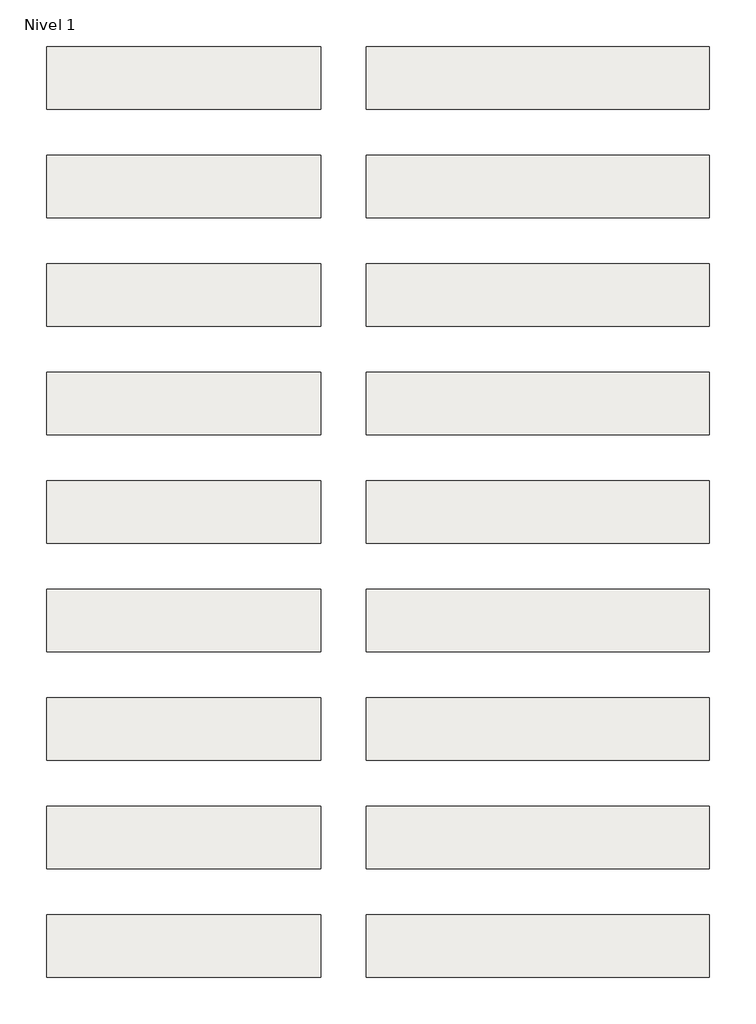
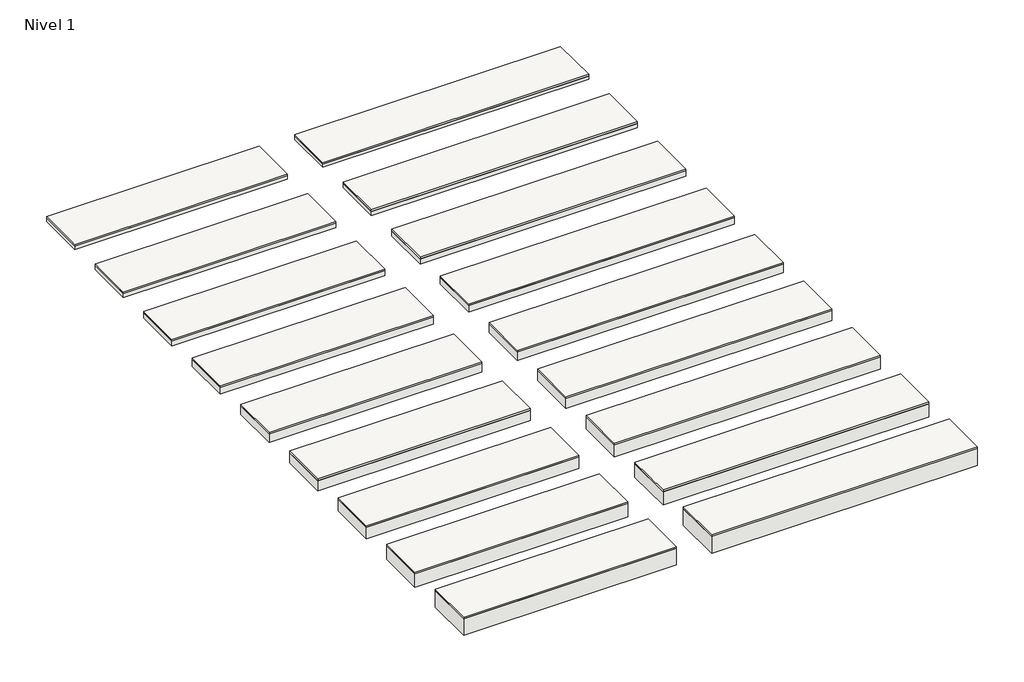
# One storey: 18 roofs.
"""IFC4 building model written with IfcOpenShell, lengths in millimetres."""

from ifc_helpers import new_model, si_unit, frame, origin, origin_with_axes, place, context, project, spatial, polyline, outline, extrude, element, save

model = new_model("IFC4")

# Units and contexts
model_context = context("Model", 3, world=origin())
ifc_project = project(units=[si_unit("LENGTHUNIT", "METRE", prefix="MILLI")], contexts=[model_context])

# Site, building, storey
site = spatial("IfcSite", under=ifc_project)
building = spatial("IfcBuilding", under=site)
storey = spatial("IfcBuildingStorey", under=building, Name="Nivel 1", Elevation=0.0)

# Roofs
placement = place(None, origin())
element("IfcRoof", 1, at=placement, inside=storey, context=model_context, shape_type="SweptSolid", body=[
    extrude(outline(polyline([(-3824.6699095, -6894.5376473), (-1424.6699095, -6894.5376473), (-1424.6699095, -7444.5376473), (-3824.6699095, -7444.5376473), (-3824.6699095, -6894.5376473)])), frame((0.0, 0.0, 50.0), z_axis=(0.0, 0.0, 1.0), x_axis=(1.0, 0.0, 0.0)), (0.0, 0.0, 1.0), 19.0),
    extrude(outline(polyline([(-3824.6699095, -6894.5376473), (-1424.6699095, -6894.5376473), (-1424.6699095, -7444.5376473), (-3824.6699095, -7444.5376473), (-3824.6699095, -6894.5376473)])), origin_with_axes(), (0.0, 0.0, 1.0), 50.0),
])
element("IfcRoof", 2, at=placement, inside=storey, context=model_context, shape_type="SweptSolid", body=[
    extrude(outline(polyline([(-3824.6699095, -5944.5376473), (-1424.6699095, -5944.5376473), (-1424.6699095, -6494.5376473), (-3824.6699095, -6494.5376473), (-3824.6699095, -5944.5376473)])), frame((0.0, 0.0, 40.0), z_axis=(0.0, 0.0, 1.0), x_axis=(1.0, 0.0, 0.0)), (0.0, 0.0, 1.0), 19.0),
    extrude(outline(polyline([(-3824.6699095, -5944.5376473), (-1424.6699095, -5944.5376473), (-1424.6699095, -6494.5376473), (-3824.6699095, -6494.5376473), (-3824.6699095, -5944.5376473)])), origin_with_axes(), (0.0, 0.0, 1.0), 40.0),
])
element("IfcRoof", 3, at=placement, inside=storey, context=model_context, shape_type="SweptSolid", body=[
    extrude(outline(polyline([(-3824.6699095, -7844.5376473), (-1424.6699095, -7844.5376473), (-1424.6699095, -8394.5376473), (-3824.6699095, -8394.5376473), (-3824.6699095, -7844.5376473)])), frame((0.0, 0.0, 60.0), z_axis=(0.0, 0.0, 1.0), x_axis=(1.0, 0.0, 0.0)), (0.0, 0.0, 1.0), 19.0),
    extrude(outline(polyline([(-3824.6699095, -7844.5376473), (-1424.6699095, -7844.5376473), (-1424.6699095, -8394.5376473), (-3824.6699095, -8394.5376473), (-3824.6699095, -7844.5376473)])), origin_with_axes(), (0.0, 0.0, 1.0), 60.0),
])
element("IfcRoof", 4, at=placement, inside=storey, context=model_context, shape_type="SweptSolid", body=[
    extrude(outline(polyline([(-3824.6699095, -8794.5376473), (-1424.6699095, -8794.5376473), (-1424.6699095, -9344.5376473), (-3824.6699095, -9344.5376473), (-3824.6699095, -8794.5376473)])), frame((0.0, 0.0, 80.0), z_axis=(0.0, 0.0, 1.0), x_axis=(1.0, 0.0, 0.0)), (0.0, 0.0, 1.0), 19.0),
    extrude(outline(polyline([(-3824.6699095, -8794.5376473), (-1424.6699095, -8794.5376473), (-1424.6699095, -9344.5376473), (-3824.6699095, -9344.5376473), (-3824.6699095, -8794.5376473)])), origin_with_axes(), (0.0, 0.0, 1.0), 80.0),
])
element("IfcRoof", 5, at=placement, inside=storey, context=model_context, shape_type="SweptSolid", body=[
    extrude(outline(polyline([(-3824.6699095, -9744.5376473), (-1424.6699095, -9744.5376473), (-1424.6699095, -10294.5376473), (-3824.6699095, -10294.5376473), (-3824.6699095, -9744.5376473)])), frame((0.0, 0.0, 100.0), z_axis=(0.0, 0.0, 1.0), x_axis=(1.0, 0.0, 0.0)), (0.0, 0.0, 1.0), 19.0),
    extrude(outline(polyline([(-3824.6699095, -9744.5376473), (-1424.6699095, -9744.5376473), (-1424.6699095, -10294.5376473), (-3824.6699095, -10294.5376473), (-3824.6699095, -9744.5376473)])), origin_with_axes(), (0.0, 0.0, 1.0), 100.0),
])
element("IfcRoof", 6, at=placement, inside=storey, context=model_context, shape_type="SweptSolid", body=[
    extrude(outline(polyline([(-3824.6699095, -10694.5376473), (-1424.6699095, -10694.5376473), (-1424.6699095, -11244.5376473), (-3824.6699095, -11244.5376473), (-3824.6699095, -10694.5376473)])), frame((0.0, 0.0, 120.0), z_axis=(0.0, 0.0, 1.0), x_axis=(1.0, 0.0, 0.0)), (0.0, 0.0, 1.0), 19.0),
    extrude(outline(polyline([(-3824.6699095, -10694.5376473), (-1424.6699095, -10694.5376473), (-1424.6699095, -11244.5376473), (-3824.6699095, -11244.5376473), (-3824.6699095, -10694.5376473)])), origin_with_axes(), (0.0, 0.0, 1.0), 120.0),
])
element("IfcRoof", 7, at=placement, inside=storey, context=model_context, shape_type="SweptSolid", body=[
    extrude(outline(polyline([(-3824.6699095, -11644.5376473), (-1424.6699095, -11644.5376473), (-1424.6699095, -12194.5376473), (-3824.6699095, -12194.5376473), (-3824.6699095, -11644.5376473)])), frame((0.0, 0.0, 140.0), z_axis=(0.0, 0.0, 1.0), x_axis=(1.0, 0.0, 0.0)), (0.0, 0.0, 1.0), 19.0),
    extrude(outline(polyline([(-3824.6699095, -11644.5376473), (-1424.6699095, -11644.5376473), (-1424.6699095, -12194.5376473), (-3824.6699095, -12194.5376473), (-3824.6699095, -11644.5376473)])), origin_with_axes(), (0.0, 0.0, 1.0), 140.0),
])
element("IfcRoof", 8, at=placement, inside=storey, context=model_context, shape_type="SweptSolid", body=[
    extrude(outline(polyline([(-3824.6699095, -12594.5376473), (-1424.6699095, -12594.5376473), (-1424.6699095, -13144.5376473), (-3824.6699095, -13144.5376473), (-3824.6699095, -12594.5376473)])), frame((0.0, 0.0, 160.0), z_axis=(0.0, 0.0, 1.0), x_axis=(1.0, 0.0, 0.0)), (0.0, 0.0, 1.0), 19.0),
    extrude(outline(polyline([(-3824.6699095, -12594.5376473), (-1424.6699095, -12594.5376473), (-1424.6699095, -13144.5376473), (-3824.6699095, -13144.5376473), (-3824.6699095, -12594.5376473)])), origin_with_axes(), (0.0, 0.0, 1.0), 160.0),
])
element("IfcRoof", 9, at=placement, inside=storey, context=model_context, shape_type="SweptSolid", body=[
    extrude(outline(polyline([(-3824.6699095, -13544.5376473), (-1424.6699095, -13544.5376473), (-1424.6699095, -14094.5376473), (-3824.6699095, -14094.5376473), (-3824.6699095, -13544.5376473)])), frame((0.0, 0.0, 200.0), z_axis=(0.0, 0.0, 1.0), x_axis=(1.0, 0.0, 0.0)), (0.0, 0.0, 1.0), 19.0),
    extrude(outline(polyline([(-3824.6699095, -13544.5376473), (-1424.6699095, -13544.5376473), (-1424.6699095, -14094.5376473), (-3824.6699095, -14094.5376473), (-3824.6699095, -13544.5376473)])), origin_with_axes(), (0.0, 0.0, 1.0), 200.0),
])
element("IfcRoof", 10, at=placement, inside=storey, context=model_context, shape_type="SweptSolid", body=[
    extrude(outline(polyline([(-1024.6699095, -6894.5376473), (1975.3300905, -6894.5376473), (1975.3300905, -7444.5376473), (-1024.6699095, -7444.5376473), (-1024.6699095, -6894.5376473)])), frame((0.0, 0.0, 50.0), z_axis=(0.0, 0.0, 1.0), x_axis=(1.0, 0.0, 0.0)), (0.0, 0.0, 1.0), 19.0),
    extrude(outline(polyline([(-1024.6699095, -6894.5376473), (1975.3300905, -6894.5376473), (1975.3300905, -7444.5376473), (-1024.6699095, -7444.5376473), (-1024.6699095, -6894.5376473)])), origin_with_axes(), (0.0, 0.0, 1.0), 50.0),
])
element("IfcRoof", 11, at=placement, inside=storey, context=model_context, shape_type="SweptSolid", body=[
    extrude(outline(polyline([(-1024.6699095, -5944.5376473), (1975.3300905, -5944.5376473), (1975.3300905, -6494.5376473), (-1024.6699095, -6494.5376473), (-1024.6699095, -5944.5376473)])), frame((0.0, 0.0, 40.0), z_axis=(0.0, 0.0, 1.0), x_axis=(1.0, 0.0, 0.0)), (0.0, 0.0, 1.0), 19.0),
    extrude(outline(polyline([(-1024.6699095, -5944.5376473), (1975.3300905, -5944.5376473), (1975.3300905, -6494.5376473), (-1024.6699095, -6494.5376473), (-1024.6699095, -5944.5376473)])), origin_with_axes(), (0.0, 0.0, 1.0), 40.0),
])
element("IfcRoof", 12, at=placement, inside=storey, context=model_context, shape_type="SweptSolid", body=[
    extrude(outline(polyline([(-1024.6699095, -7844.5376473), (1975.3300905, -7844.5376473), (1975.3300905, -8394.5376473), (-1024.6699095, -8394.5376473), (-1024.6699095, -7844.5376473)])), frame((0.0, 0.0, 60.0), z_axis=(0.0, 0.0, 1.0), x_axis=(1.0, 0.0, 0.0)), (0.0, 0.0, 1.0), 19.0),
    extrude(outline(polyline([(-1024.6699095, -7844.5376473), (1975.3300905, -7844.5376473), (1975.3300905, -8394.5376473), (-1024.6699095, -8394.5376473), (-1024.6699095, -7844.5376473)])), origin_with_axes(), (0.0, 0.0, 1.0), 60.0),
])
element("IfcRoof", 13, at=placement, inside=storey, context=model_context, shape_type="SweptSolid", body=[
    extrude(outline(polyline([(-1024.6699095, -8794.5376473), (1975.3300905, -8794.5376473), (1975.3300905, -9344.5376473), (-1024.6699095, -9344.5376473), (-1024.6699095, -8794.5376473)])), frame((0.0, 0.0, 80.0), z_axis=(0.0, 0.0, 1.0), x_axis=(1.0, 0.0, 0.0)), (0.0, 0.0, 1.0), 19.0),
    extrude(outline(polyline([(-1024.6699095, -8794.5376473), (1975.3300905, -8794.5376473), (1975.3300905, -9344.5376473), (-1024.6699095, -9344.5376473), (-1024.6699095, -8794.5376473)])), origin_with_axes(), (0.0, 0.0, 1.0), 80.0),
])
element("IfcRoof", 14, at=placement, inside=storey, context=model_context, shape_type="SweptSolid", body=[
    extrude(outline(polyline([(-1024.6699095, -9744.5376473), (1975.3300905, -9744.5376473), (1975.3300905, -10294.5376473), (-1024.6699095, -10294.5376473), (-1024.6699095, -9744.5376473)])), frame((0.0, 0.0, 100.0), z_axis=(0.0, 0.0, 1.0), x_axis=(1.0, 0.0, 0.0)), (0.0, 0.0, 1.0), 19.0),
    extrude(outline(polyline([(-1024.6699095, -9744.5376473), (1975.3300905, -9744.5376473), (1975.3300905, -10294.5376473), (-1024.6699095, -10294.5376473), (-1024.6699095, -9744.5376473)])), origin_with_axes(), (0.0, 0.0, 1.0), 100.0),
])
element("IfcRoof", 15, at=placement, inside=storey, context=model_context, shape_type="SweptSolid", body=[
    extrude(outline(polyline([(-1024.6699095, -10694.5376473), (1975.3300905, -10694.5376473), (1975.3300905, -11244.5376473), (-1024.6699095, -11244.5376473), (-1024.6699095, -10694.5376473)])), frame((0.0, 0.0, 120.0), z_axis=(0.0, 0.0, 1.0), x_axis=(1.0, 0.0, 0.0)), (0.0, 0.0, 1.0), 19.0),
    extrude(outline(polyline([(-1024.6699095, -10694.5376473), (1975.3300905, -10694.5376473), (1975.3300905, -11244.5376473), (-1024.6699095, -11244.5376473), (-1024.6699095, -10694.5376473)])), origin_with_axes(), (0.0, 0.0, 1.0), 120.0),
])
element("IfcRoof", 16, at=placement, inside=storey, context=model_context, shape_type="SweptSolid", body=[
    extrude(outline(polyline([(-1024.6699095, -11644.5376473), (1975.3300905, -11644.5376473), (1975.3300905, -12194.5376473), (-1024.6699095, -12194.5376473), (-1024.6699095, -11644.5376473)])), frame((0.0, 0.0, 140.0), z_axis=(0.0, 0.0, 1.0), x_axis=(1.0, 0.0, 0.0)), (0.0, 0.0, 1.0), 19.0),
    extrude(outline(polyline([(-1024.6699095, -11644.5376473), (1975.3300905, -11644.5376473), (1975.3300905, -12194.5376473), (-1024.6699095, -12194.5376473), (-1024.6699095, -11644.5376473)])), origin_with_axes(), (0.0, 0.0, 1.0), 140.0),
])
element("IfcRoof", 17, at=placement, inside=storey, context=model_context, shape_type="SweptSolid", body=[
    extrude(outline(polyline([(-1024.6699095, -12594.5376473), (1975.3300905, -12594.5376473), (1975.3300905, -13144.5376473), (-1024.6699095, -13144.5376473), (-1024.6699095, -12594.5376473)])), frame((0.0, 0.0, 160.0), z_axis=(0.0, 0.0, 1.0), x_axis=(1.0, 0.0, 0.0)), (0.0, 0.0, 1.0), 19.0),
    extrude(outline(polyline([(-1024.6699095, -12594.5376473), (1975.3300905, -12594.5376473), (1975.3300905, -13144.5376473), (-1024.6699095, -13144.5376473), (-1024.6699095, -12594.5376473)])), origin_with_axes(), (0.0, 0.0, 1.0), 160.0),
])
element("IfcRoof", 18, at=placement, inside=storey, context=model_context, shape_type="SweptSolid", body=[
    extrude(outline(polyline([(-1024.6699095, -13544.5376473), (1975.3300905, -13544.5376473), (1975.3300905, -14094.5376473), (-1024.6699095, -14094.5376473), (-1024.6699095, -13544.5376473)])), frame((0.0, 0.0, 200.0), z_axis=(0.0, 0.0, 1.0), x_axis=(1.0, 0.0, 0.0)), (0.0, 0.0, 1.0), 19.0),
    extrude(outline(polyline([(-1024.6699095, -13544.5376473), (1975.3300905, -13544.5376473), (1975.3300905, -14094.5376473), (-1024.6699095, -14094.5376473), (-1024.6699095, -13544.5376473)])), origin_with_axes(), (0.0, 0.0, 1.0), 200.0),
])

save(model, "model.ifc")
